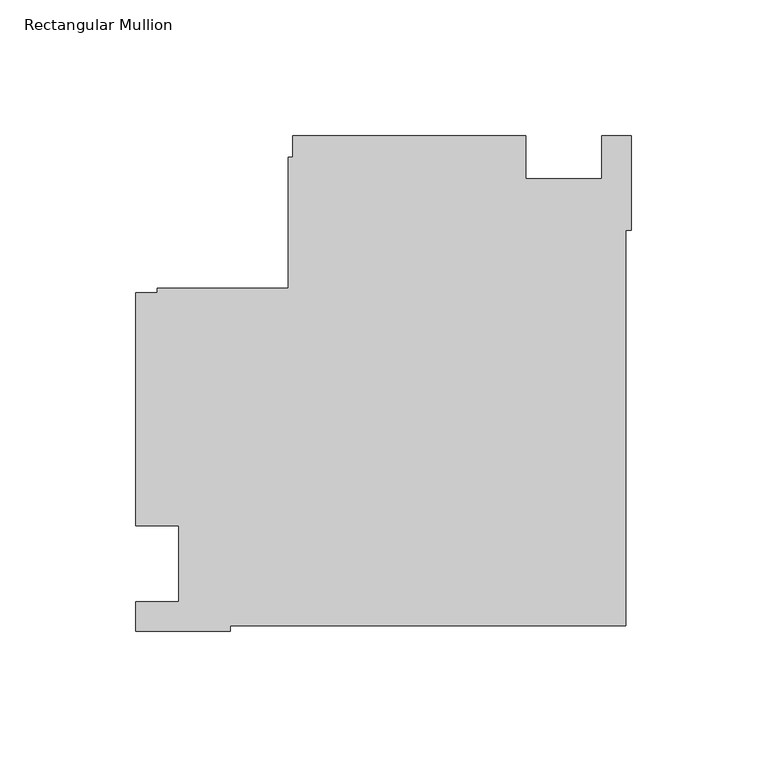
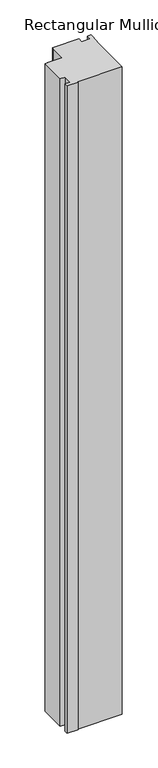
"""IFC4 building model written with IfcOpenShell, lengths in millimetres: member geometry, Rectangular Mullion."""

from ifc_helpers import new_model, si_unit, frame, origin, place, context, project, spatial, polyline, outline, extrude, source, transform, mapped, element, save


def rectangular_mullion_527835c0(model_context):
    return source(origin(), model_context, "Body", "SweptSolid", [
        extrude(outline(polyline([(-182.9999976, 14.0008907), (-182.9999976, 100.0010025), (-175.0, 100.0010025), (-175.0, 101.6000025), (-126.6, 101.6000025), (-126.6, 150.0000025), (-125.0, 150.0000025), (-125.0, 158.0000001), (-38.9998882, 158.0000001), (-38.9998882, 142.0010001), (-10.9999975, 142.0010001), (-10.9999975, 158.0000001), (0.0, 158.0000001), (0.0, 122.9999738), (-2.0852141, 122.9999738), (-2.0852141, -22.9137834), (-147.9999713, -22.9137834), (-147.9999713, -24.9989975), (-183.0085199, -24.9989975), (-183.0085199, -14.0027335), (-166.9999976, -14.0027335), (-166.9999976, 14.0008907), (-182.9999976, 14.0008907)])), frame((0.0, 0.0, -2232.0199255), z_axis=(0.0, 0.0, 1.0), x_axis=(1.0, 0.0, 0.0)), (0.0, 0.0, 1.0), 2232.0199255),
    ])


if __name__ == "__main__":
    model = new_model("IFC4")
    model_context = context("Model", 3, world=origin())
    ifc_project = project(units=[si_unit("LENGTHUNIT", "METRE", prefix="MILLI")], contexts=[model_context])
    site = spatial("IfcSite", under=ifc_project)
    building = spatial("IfcBuilding", under=site)
    placement = place(None, origin())
    rectangular_mullion_shape = rectangular_mullion_527835c0(model_context)
    element("IfcMember", 1, ObjectType="Rectangular Mullion", at=placement, inside=building, context=model_context, shape_type="MappedRepresentation", body=[
        mapped(rectangular_mullion_shape, transform((0.0, 0.0, 0.0), x_axis=(1.0, 0.0, 0.0), y_axis=(0.0, 1.0, 0.0), z_axis=(0.0, 0.0, 1.0))),
    ])
    save(model, "model.ifc")
